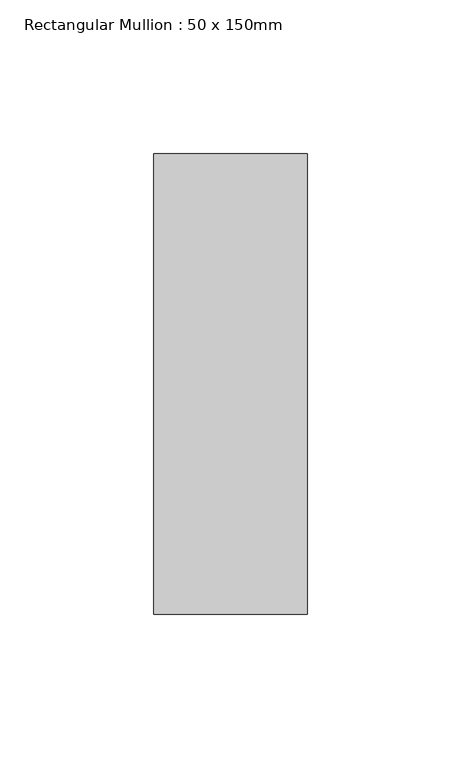
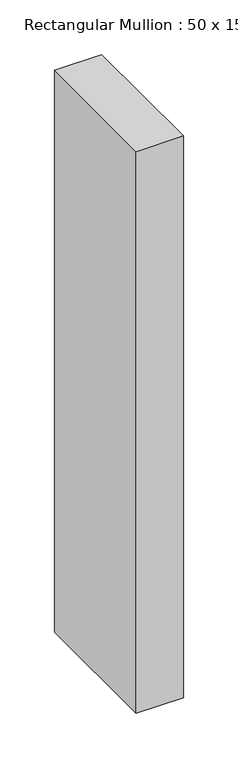
"""IFC4 building model written with IfcOpenShell, lengths in millimetres: member geometry, Rectangular Mullion : 50 x 150mm."""

from ifc_helpers import new_model, si_unit, frame, origin, place, context, project, spatial, polyline, outline, extrude, source, transform, mapped, element, save


def rectangular_mullion_50_x_150mm_0785db35(model_context):
    return source(origin(), model_context, "Body", "SweptSolid", [
        extrude(outline(polyline([(25.0, 75.0), (25.0, -75.0), (-25.0, -75.0), (-25.0, 75.0), (25.0, 75.0)])), frame((0.0, 0.0, -628.3333333), z_axis=(0.0, 0.0, 1.0), x_axis=(1.0, 0.0, 0.0)), (0.0, 0.0, 1.0), 628.3333333),
    ])


if __name__ == "__main__":
    model = new_model("IFC4")
    model_context = context("Model", 3, world=origin())
    ifc_project = project(units=[si_unit("LENGTHUNIT", "METRE", prefix="MILLI")], contexts=[model_context])
    site = spatial("IfcSite", under=ifc_project)
    building = spatial("IfcBuilding", under=site)
    placement = place(None, origin())
    rectangular_mullion_50_x_150mm_shape = rectangular_mullion_50_x_150mm_0785db35(model_context)
    element("IfcMember", 1, ObjectType="Rectangular Mullion : 50 x 150mm", at=placement, inside=building, context=model_context, shape_type="MappedRepresentation", body=[
        mapped(rectangular_mullion_50_x_150mm_shape, transform((0.0, 0.0, 0.0), x_axis=(1.0, 0.0, 0.0), y_axis=(0.0, 1.0, 0.0), z_axis=(0.0, 0.0, 1.0))),
    ])
    save(model, "model.ifc")
